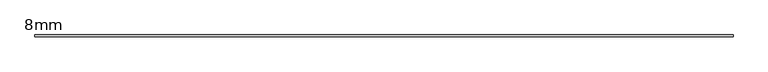
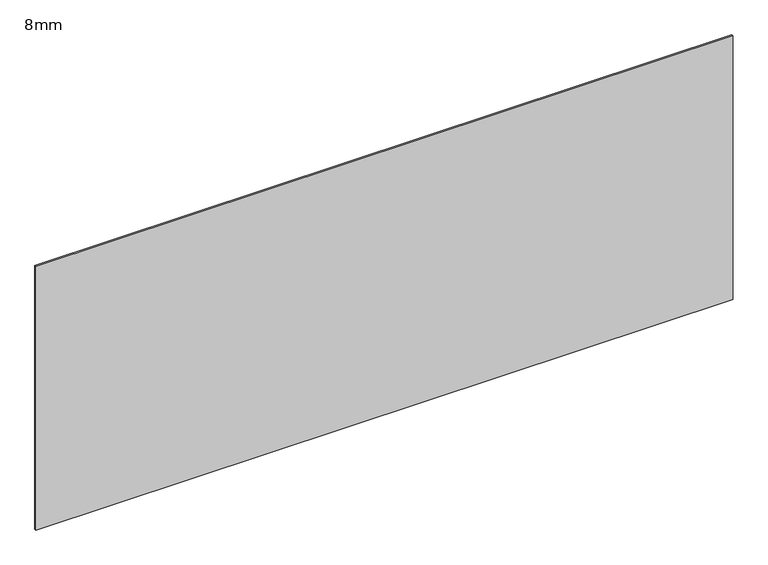
"""IFC4 building model written with IfcOpenShell, lengths in millimetres: plate geometry, 8mm."""

from ifc_helpers import new_model, si_unit, origin, origin_with_axes, place, context, project, spatial, polyline, outline, extrude, source, transform, mapped, element, save


def plate_8mm_5dbbff6b(model_context):
    return source(origin(), model_context, "Body", "SweptSolid", [
        extrude(outline(polyline([(1525.0, 4.0), (1525.0, -4.0), (-1525.0, -4.0), (-1525.0, 4.0), (1525.0, 4.0)])), origin_with_axes(), (0.0, 0.0, 1.0), 1220.0),
    ])


if __name__ == "__main__":
    model = new_model("IFC4")
    model_context = context("Model", 3, world=origin())
    ifc_project = project(units=[si_unit("LENGTHUNIT", "METRE", prefix="MILLI")], contexts=[model_context])
    site = spatial("IfcSite", under=ifc_project)
    building = spatial("IfcBuilding", under=site)
    placement = place(None, origin())
    plate_8mm_shape = plate_8mm_5dbbff6b(model_context)
    element("IfcPlate", 1, ObjectType="8mm", at=placement, inside=building, context=model_context, shape_type="MappedRepresentation", body=[
        mapped(plate_8mm_shape, transform((0.0, 0.0, 0.0), x_axis=(1.0, 0.0, 0.0), y_axis=(0.0, 1.0, 0.0), z_axis=(0.0, 0.0, 1.0))),
    ])
    save(model, "model.ifc")
